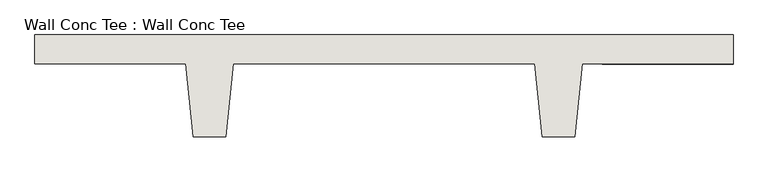
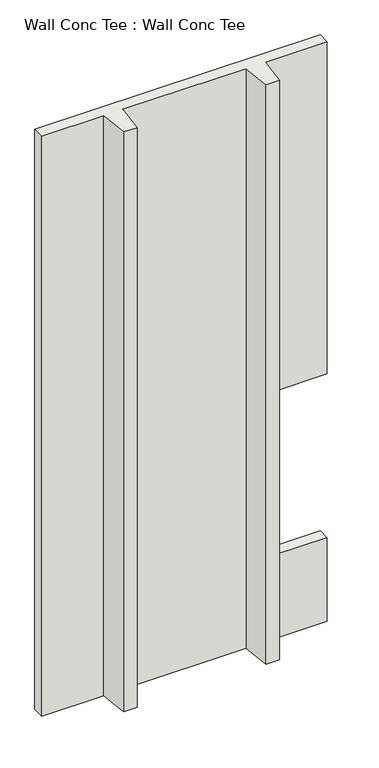
"""IFC4 building model written with IfcOpenShell, lengths in millimetres: wall geometry, Wall Conc Tee : Wall Conc Tee."""

from ifc_helpers import new_model, si_unit, origin, place, context, project, spatial, faceted_brep, source, transform, mapped, element, save


def wall_conc_tee_wall_conc_tee_b82f32aa(model_context):
    return source(origin(), model_context, "Body", "Brep", [
        faceted_brep([(207734.6728488, 159042.8596581, 5376.1679688), (205296.2728488, 159042.8596581, 5376.1679688), (205296.2728488, 158941.2596581, 5376.1679688), (205823.3228488, 158941.2596581, 5376.1679688), (205848.7228488, 158687.2596581, 5376.1679688), (205963.0228488, 158687.2596581, 5376.1679688), (205988.4228488, 158941.2596581, 5376.1679688), (207042.5228488, 158941.2596581, 5376.1679688), (207067.9228488, 158687.2596581, 5376.1679688), (207182.2228488, 158687.2596581, 5376.1679688), (207207.6228488, 158941.2596581, 5376.1679688), (207734.6728488, 158941.2596581, 5376.1679688), (207734.6728488, 159042.8596581, 143.7592564), (207734.6728488, 158941.2596581, 143.7592564), (207207.6228488, 158941.2596581, 143.7592564), (207182.2228488, 158687.2596581, 143.7592564), (207067.9228488, 158687.2596581, 143.7592564), (207042.5228488, 158941.2596581, 143.7592564), (205988.4228488, 158941.2596581, 143.7592564), (205963.0228488, 158687.2596581, 143.7592564), (205848.7228488, 158687.2596581, 143.7592564), (205823.3228488, 158941.2596581, 143.7592564), (205296.2728488, 158941.2596581, 143.7592564), (205296.2728488, 159042.8596581, 143.7592564), (207734.6728488, 159042.8596581, 2378.9679688), (207277.4728488, 159042.8596581, 2378.9679688), (207277.4728488, 159042.8596581, 899.4179688), (207734.6728488, 159042.8596581, 899.4179688), (207734.6728488, 158941.2596581, 899.4179688), (207277.4728488, 158941.2596581, 899.4179688), (207277.4728488, 158941.2596581, 2378.9679688), (207734.6728488, 158941.2596581, 2378.9679688)], [[[0, 1, 2, 3, 4, 5, 6, 7, 8, 9, 10, 11]], [[12, 13, 14, 15, 16, 17, 18, 19, 20, 21, 22, 23]], [[1, 0, 24, 25, 26, 27, 12, 23]], [[2, 1, 23, 22]], [[3, 2, 22, 21]], [[4, 3, 21, 20]], [[5, 4, 20, 19]], [[6, 5, 19, 18]], [[7, 6, 18, 17]], [[8, 7, 17, 16]], [[9, 8, 16, 15]], [[10, 9, 15, 14]], [[11, 10, 14, 13, 28, 29, 30, 31]], [[0, 11, 31, 24]], [[13, 12, 27, 28]], [[27, 26, 29, 28]], [[26, 25, 30, 29]], [[25, 24, 31, 30]]]),
    ])


if __name__ == "__main__":
    model = new_model("IFC4")
    model_context = context("Model", 3, world=origin())
    ifc_project = project(units=[si_unit("LENGTHUNIT", "METRE", prefix="MILLI")], contexts=[model_context])
    site = spatial("IfcSite", under=ifc_project)
    building = spatial("IfcBuilding", under=site)
    placement = place(None, origin())
    wall_conc_tee_wall_conc_tee_shape = wall_conc_tee_wall_conc_tee_b82f32aa(model_context)
    element("IfcWall", 1, ObjectType="Wall Conc Tee : Wall Conc Tee", at=placement, inside=building, context=model_context, shape_type="MappedRepresentation", body=[
        mapped(wall_conc_tee_wall_conc_tee_shape, transform((0.0, 0.0, 0.0), x_axis=(1.0, 0.0, 0.0), y_axis=(0.0, 1.0, 0.0), z_axis=(0.0, 0.0, 1.0))),
    ])
    save(model, "model.ifc")
